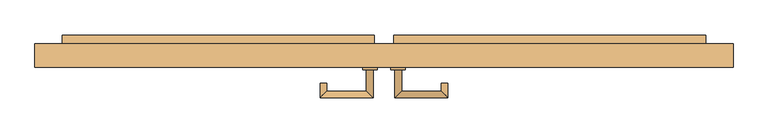
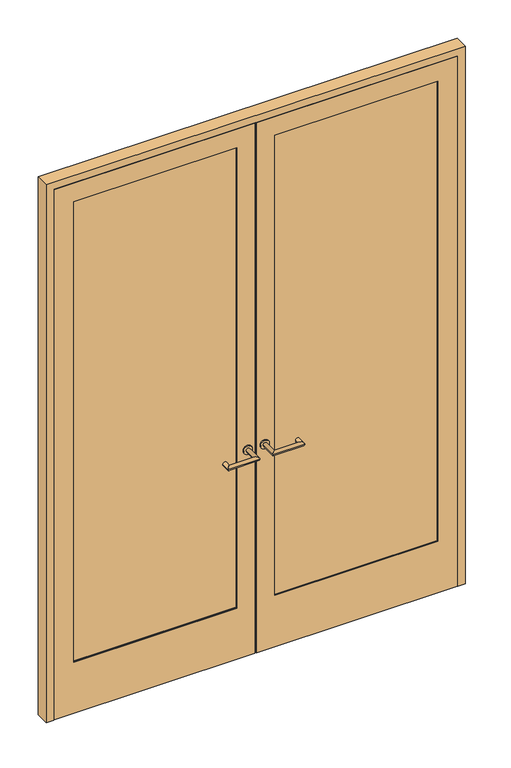
"""IFC4 building model written with IfcOpenShell, lengths in millimetres: door geometry."""

from ifc_helpers import new_model, si_unit, point, frame, frame_2d, origin, place, context, project, spatial, polyline, circle_curve, ellipse_curve, trimmed, segment, composite_curve, outline, extrude, faceted_brep, source, transform, mapped, element, save
from ifc_brep_helpers import plane_surface, cylinder_surface, advanced_brep


def door_bb66ad04(model_context):
    return source(origin(), model_context, "Body", "SolidModel", [
        extrude(outline(polyline([(2617.7875, -941.3875), (0.0, -941.3875), (0.0, -4.7625), (2617.7875, -4.7625), (2617.7875, -941.3875)]), holes=[polyline([(254.0, -850.9), (2527.3, -850.9), (2527.3, -88.9), (254.0, -88.9), (254.0, -850.9)])]), frame((0.0, -19.05, 0.0), z_axis=(0.0, 1.0, 0.0), x_axis=(0.0, 0.0, 1.0)), (0.0, 0.0, 1.0), 2.4553029),
        faceted_brep([(-920.75, 42.6733196, 2597.15), (-4.7625, 42.6733196, 2597.15), (-4.7625, 42.6733196, 2579.6875), (-903.2875, 42.6733196, 2579.6875), (-903.2875, 42.6733196, 0.0), (-920.75, 42.6733196, 0.0), (-920.75, -16.5946971, 2597.15), (-920.75, -16.5946971, 0.0), (-4.7625, -16.5946971, 0.0), (-4.7625, -16.5946971, 2597.15), (-850.9, -16.5946971, 2527.3), (-88.9, -16.5946971, 2527.3), (-88.9, -16.5946971, 254.0), (-850.9, -16.5946971, 254.0), (-4.7625, 46.0375, 0.0), (-4.7625, 46.0375, 2579.6875), (-88.9, 46.0375, 2527.3), (-88.9, 46.0375, 254.0), (-850.9, 46.0375, 2527.3), (-850.9, 46.0375, 254.0), (-903.2875, 46.0375, 0.0), (-903.2875, 46.0375, 2579.6875)], [[[0, 1, 2, 3, 4, 5]], [[6, 7, 8, 9], [10, 11, 12, 13]], [[1, 0, 6, 9]], [[9, 8, 14, 15, 2, 1]], [[12, 11, 16, 17]], [[16, 11, 10, 18]], [[18, 10, 13, 19]], [[14, 8, 7, 5, 4, 20]], [[0, 5, 7, 6]], [[20, 21, 15, 14], [19, 17, 16, 18]], [[21, 20, 4, 3]], [[15, 21, 3, 2]], [[19, 13, 12, 17]]]),
        extrude(outline(polyline([(-850.9, 12.7), (-88.9, 12.7), (-88.9, -12.7), (-850.9, -12.7), (-850.9, 12.7)])), frame((0.0, 0.0, 254.0), z_axis=(0.0, 0.0, 1.0), x_axis=(1.0, 0.0, 0.0)), (0.0, 0.0, 1.0), 2273.3),
        advanced_brep(
        [(-49.2125, -25.4, 1020.7625), (-30.1625, -25.4, 1020.7625), (-30.1625, -104.775, 1020.7625), (-49.2125, -85.725, 1020.7625), (-179.3875, -104.775, 1020.7625), (-160.3375, -85.725, 1020.7625), (-160.3375, -63.5, 1020.7625), (-179.3875, -63.5, 1020.7625)],
        [
            (0, 1, circle_curve(frame((-39.6875, -25.4, 1020.7625), z_axis=(0.0, 1.0, 0.0), x_axis=(1.0000000000000004, 0.0, 0.0)), 9.525)),
            (1, 0, circle_curve(frame((-39.6875, -25.4, 1020.7625), z_axis=(0.0, 1.0, 0.0), x_axis=(1.0000000000000004, 0.0, 0.0)), 9.525)),
            (1, 2),
            (2, 3, ellipse_curve(frame((-39.6875, -95.25, 1020.7625), z_axis=(0.7071067811865587, 0.7071067811865362, 0.0), x_axis=(-0.7071067811865362, 0.7071067811865588, 0.0)), 13.4703842, 9.525)),
            (3, 0),
            (3, 2, ellipse_curve(frame((-39.6875, -95.25, 1020.7625), z_axis=(0.7071067811865587, 0.7071067811865362, 0.0), x_axis=(-0.7071067811865362, 0.7071067811865588, 0.0)), 13.4703842, 9.525)),
            (2, 4),
            (4, 5, ellipse_curve(frame((-169.8625, -95.25, 1020.7625), z_axis=(0.7071067811865361, -0.7071067811865589, 0.0), x_axis=(0.7071067811865588, 0.7071067811865361, 0.0)), 13.4703842, 9.525)),
            (5, 3),
            (5, 4, ellipse_curve(frame((-169.8625, -95.25, 1020.7625), z_axis=(0.7071067811865361, -0.7071067811865589, 0.0), x_axis=(0.7071067811865588, 0.7071067811865361, 0.0)), 13.4703842, 9.525)),
            (6, 7, circle_curve(frame((-169.8625, -63.5, 1020.7625), z_axis=(0.0, 1.0, 0.0), x_axis=(-1.0000000000000004, 0.0, 0.0)), 9.525)),
            (7, 6, circle_curve(frame((-169.8625, -63.5, 1020.7625), z_axis=(0.0, 1.0, 0.0), x_axis=(-1.0000000000000004, 0.0, 0.0)), 9.525)),
            (4, 7),
            (6, 5),
        ],
        [
            plane_surface(frame((-39.6875, -25.4, 0.0), z_axis=(0.0, 1.0, 0.0), x_axis=(0.0, 0.0, 1.0))),
            cylinder_surface(frame((-39.6875, -25.4, 1020.7625), z_axis=(0.0, 1.0000000000000004, 0.0), x_axis=(1.0000000000000004, 0.0, 0.0)), 9.525),
            cylinder_surface(frame((-39.6875, -95.25, 1020.7625), z_axis=(1.0000000000000004, 0.0, 0.0), x_axis=(0.0, -1.0000000000000004, 0.0)), 9.525),
            plane_surface(frame((-169.8625, -63.5, 0.0), z_axis=(0.0, 1.0, 0.0), x_axis=(0.0, 0.0, 1.0))),
            cylinder_surface(frame((-169.8625, -95.25, 1020.7625), z_axis=(0.0, -1.0000000000000004, 0.0), x_axis=(-1.0000000000000004, 0.0, 0.0)), 9.525),
        ],
        [
            (0, [[1, 2]]),
            (1, [[-2, 3, 4, 5]]),
            (1, [[-1, -5, 6, -3]]),
            (2, [[-4, 7, 8, 9]]),
            (2, [[-6, -9, 10, -7]]),
            (3, [[11, 12]]),
            (4, [[-8, 13, -11, 14]]),
            (4, [[-10, -14, -12, -13]]),
        ],
    ),
        extrude(outline(polyline([(-903.2875, 71.4375), (-26.9875, 71.4375), (-26.9875, 46.0375), (-903.2875, 46.0375), (-903.2875, 71.4375)])), frame((0.0, 0.0, 986.63125), z_axis=(0.0, 0.0, 1.0), x_axis=(1.0, 0.0, 0.0)), (0.0, 0.0, 1.0), 68.2625),
        extrude(outline(composite_curve([segment(trimmed(circle_curve(frame_2d((1020.7625, -39.6875)), 20.6375), [point((1020.7625, -60.325))], [point((1020.7625, -19.05))], False, "CARTESIAN"), True, "CONTINUOUS"), segment(trimmed(circle_curve(frame_2d((1020.7625, -39.6875)), 20.6375), [point((1020.7625, -19.05))], [point((1020.7625, -60.325))], False, "CARTESIAN"), True, "CONTINUOUS")], self_intersect=False)), frame((0.0, -25.4, 0.0), z_axis=(0.0, 1.0, 0.0), x_axis=(0.0, 0.0, 1.0)), (0.0, 0.0, 1.0), 6.35),
        extrude(outline(polyline([(2617.7875, 941.3875), (2617.7875, 4.7625), (0.0, 4.7625), (0.0, 941.3875), (2617.7875, 941.3875)]), holes=[polyline([(254.0, 850.9), (254.0, 88.9), (2527.3, 88.9), (2527.3, 850.9), (254.0, 850.9)])]), frame((0.0, -19.05, 0.0), z_axis=(0.0, 1.0, 0.0), x_axis=(0.0, 0.0, 1.0)), (0.0, 0.0, 1.0), 2.4553029),
        faceted_brep([(920.75, 42.6733196, 2597.15), (920.75, 42.6733196, 0.0), (903.2875, 42.6733196, 0.0), (903.2875, 42.6733196, 2579.6875), (4.7625, 42.6733196, 2579.6875), (4.7625, 42.6733196, 2597.15), (920.75, -16.5946971, 2597.15), (4.7625, -16.5946971, 2597.15), (4.7625, -16.5946971, 0.0), (920.75, -16.5946971, 0.0), (850.9, -16.5946971, 2527.3), (850.9, -16.5946971, 254.0), (88.9, -16.5946971, 254.0), (88.9, -16.5946971, 2527.3), (4.7625, 46.0375, 2579.6875), (4.7625, 46.0375, 0.0), (88.9, 46.0375, 254.0), (88.9, 46.0375, 2527.3), (850.9, 46.0375, 2527.3), (850.9, 46.0375, 254.0), (903.2875, 46.0375, 0.0), (903.2875, 46.0375, 2579.6875)], [[[0, 1, 2, 3, 4, 5]], [[6, 7, 8, 9], [10, 11, 12, 13]], [[5, 7, 6, 0]], [[7, 5, 4, 14, 15, 8]], [[12, 16, 17, 13]], [[17, 18, 10, 13]], [[18, 19, 11, 10]], [[15, 20, 2, 1, 9, 8]], [[0, 6, 9, 1]], [[20, 15, 14, 21], [19, 18, 17, 16]], [[21, 3, 2, 20]], [[14, 4, 3, 21]], [[19, 16, 12, 11]]]),
        extrude(outline(polyline([(850.9, 12.7), (850.9, -12.7), (88.9, -12.7), (88.9, 12.7), (850.9, 12.7)])), frame((0.0, 0.0, 254.0), z_axis=(0.0, 0.0, 1.0), x_axis=(1.0, 0.0, 0.0)), (0.0, 0.0, 1.0), 2273.3),
        advanced_brep(
        [(49.2125, -25.4, 1020.7625), (30.1625, -25.4, 1020.7625), (49.2125, -85.725, 1020.7625), (30.1625, -104.775, 1020.7625), (160.3375, -85.725, 1020.7625), (179.3875, -104.775, 1020.7625), (160.3375, -63.5, 1020.7625), (179.3875, -63.5, 1020.7625)],
        [
            (0, 1, circle_curve(frame((39.6875, -25.4, 1020.7625), z_axis=(0.0, 1.0, 0.0), x_axis=(-1.0000000000000004, 0.0, 0.0)), 9.525)),
            (1, 0, circle_curve(frame((39.6875, -25.4, 1020.7625), z_axis=(0.0, 1.0, 0.0), x_axis=(-1.0000000000000004, 0.0, 0.0)), 9.525)),
            (0, 2),
            (2, 3, ellipse_curve(frame((39.6875, -95.25, 1020.7625), z_axis=(-0.7071067811865587, 0.7071067811865362, 0.0), x_axis=(0.7071067811865362, 0.7071067811865588, 0.0)), 13.4703842, 9.525)),
            (3, 1),
            (3, 2, ellipse_curve(frame((39.6875, -95.25, 1020.7625), z_axis=(-0.7071067811865587, 0.7071067811865362, 0.0), x_axis=(0.7071067811865362, 0.7071067811865588, 0.0)), 13.4703842, 9.525)),
            (2, 4),
            (4, 5, ellipse_curve(frame((169.8625, -95.25, 1020.7625), z_axis=(-0.7071067811865361, -0.7071067811865589, 0.0), x_axis=(-0.7071067811865588, 0.7071067811865361, 0.0)), 13.4703842, 9.525)),
            (5, 3),
            (5, 4, ellipse_curve(frame((169.8625, -95.25, 1020.7625), z_axis=(-0.7071067811865361, -0.7071067811865589, 0.0), x_axis=(-0.7071067811865588, 0.7071067811865361, 0.0)), 13.4703842, 9.525)),
            (6, 7, circle_curve(frame((169.8625, -63.5, 1020.7625), z_axis=(0.0, 1.0, 0.0), x_axis=(1.0000000000000004, 0.0, 0.0)), 9.525)),
            (7, 6, circle_curve(frame((169.8625, -63.5, 1020.7625), z_axis=(0.0, 1.0, 0.0), x_axis=(1.0000000000000004, 0.0, 0.0)), 9.525)),
            (4, 6),
            (7, 5),
        ],
        [
            plane_surface(frame((39.6875, -25.4, 0.0), z_axis=(0.0, 1.0, 0.0), x_axis=(0.0, 0.0, 1.0))),
            cylinder_surface(frame((39.6875, -25.4, 1020.7625), z_axis=(0.0, 1.0000000000000004, 0.0), x_axis=(-1.0000000000000004, 0.0, 0.0)), 9.525),
            cylinder_surface(frame((39.6875, -95.25, 1020.7625), z_axis=(-1.0000000000000004, 0.0, 0.0), x_axis=(0.0, -1.0000000000000004, 0.0)), 9.525),
            plane_surface(frame((169.8625, -63.5, 0.0), z_axis=(0.0, 1.0, 0.0), x_axis=(0.0, 0.0, 1.0))),
            cylinder_surface(frame((169.8625, -95.25, 1020.7625), z_axis=(0.0, -1.0000000000000004, 0.0), x_axis=(1.0000000000000004, 0.0, 0.0)), 9.525),
        ],
        [
            (0, [[1, 2]]),
            (1, [[3, 4, 5, -1]]),
            (1, [[-5, 6, -3, -2]]),
            (2, [[7, 8, 9, -4]]),
            (2, [[-9, 10, -7, -6]]),
            (3, [[11, 12]]),
            (4, [[13, -12, 14, -8]]),
            (4, [[-14, -11, -13, -10]]),
        ],
    ),
        extrude(outline(polyline([(903.2875, 71.4375), (903.2875, 46.0375), (26.9875, 46.0375), (26.9875, 71.4375), (903.2875, 71.4375)])), frame((0.0, 0.0, 986.63125), z_axis=(0.0, 0.0, 1.0), x_axis=(1.0, 0.0, 0.0)), (0.0, 0.0, 1.0), 68.2625),
        extrude(outline(composite_curve([segment(trimmed(circle_curve(frame_2d((1020.7625, 39.6875)), 20.6375), [point((1020.7625, 60.325))], [point((1020.7625, 19.05))], False, "CARTESIAN"), True, "CONTINUOUS"), segment(trimmed(circle_curve(frame_2d((1020.7625, 39.6875)), 20.6375), [point((1020.7625, 19.05))], [point((1020.7625, 60.325))], False, "CARTESIAN"), True, "CONTINUOUS")], self_intersect=False)), frame((0.0, -25.4, 0.0), z_axis=(0.0, 1.0, 0.0), x_axis=(0.0, 0.0, 1.0)), (0.0, 0.0, 1.0), 6.35),
        faceted_brep([(979.4875, -19.05, 0.0), (944.5625, -19.05, 0.0), (944.5625, -12.7, 0.0), (930.275, -12.7, 0.0), (930.275, 42.8625, 0.0), (909.6375, 42.8625, 0.0), (909.6375, 46.0375, 0.0), (979.4875, 46.0375, 0.0), (979.4875, 46.0375, 2655.8875), (979.4875, -19.05, 2655.8875), (909.6375, 46.0375, 2586.0375), (-909.6375, 46.0375, 2586.0375), (-909.6375, 46.0375, 0.0), (-979.4875, 46.0375, 0.0), (-979.4875, 46.0375, 2655.8875), (909.6375, 42.8625, 2586.0375), (930.275, 42.8625, 2606.675), (-930.275, 42.8625, 2606.675), (-930.275, 42.8625, 0.0), (-909.6375, 42.8625, 0.0), (-909.6375, 42.8625, 2586.0375), (930.275, -12.7, 2606.675), (944.5625, -12.7, 2620.9625), (-944.5625, -12.7, 2620.9625), (-944.5625, -12.7, 0.0), (-930.275, -12.7, 0.0), (-930.275, -12.7, 2606.675), (944.5625, -19.05, 2620.9625), (-979.4875, -19.05, 2655.8875), (-979.4875, -19.05, 0.0), (-944.5625, -19.05, 0.0), (-944.5625, -19.05, 2620.9625)], [[[0, 1, 2, 3, 4, 5, 6, 7]], [[7, 8, 9, 0]], [[6, 10, 11, 12, 13, 14, 8, 7]], [[5, 15, 10, 6]], [[4, 16, 17, 18, 19, 20, 15, 5]], [[3, 21, 16, 4]], [[2, 22, 23, 24, 25, 26, 21, 3]], [[1, 27, 22, 2]], [[0, 9, 28, 29, 30, 31, 27, 1]], [[14, 13, 29, 28]], [[29, 13, 12, 19, 18, 25, 24, 30]], [[20, 19, 12, 11]], [[26, 25, 18, 17]], [[31, 30, 24, 23]], [[8, 14, 28, 9]], [[15, 20, 11, 10]], [[27, 31, 23, 22]], [[21, 26, 17, 16]]]),
    ])


if __name__ == "__main__":
    model = new_model("IFC4")
    model_context = context("Model", 3, world=origin())
    ifc_project = project(units=[si_unit("LENGTHUNIT", "METRE", prefix="MILLI")], contexts=[model_context])
    site = spatial("IfcSite", under=ifc_project)
    building = spatial("IfcBuilding", under=site)
    placement = place(None, origin())
    door_shape = door_bb66ad04(model_context)
    element("IfcDoor", 1, at=placement, inside=building, context=model_context, shape_type="MappedRepresentation", body=[
        mapped(door_shape, transform((0.0, 0.0, 0.0), x_axis=(1.0, 0.0, 0.0), y_axis=(0.0, 1.0, 0.0), z_axis=(0.0, 0.0, 1.0))),
    ])
    save(model, "model.ifc")
